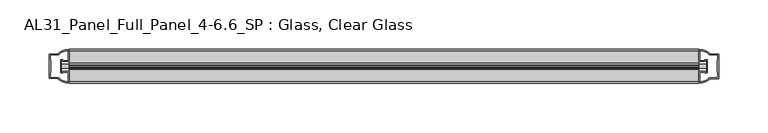
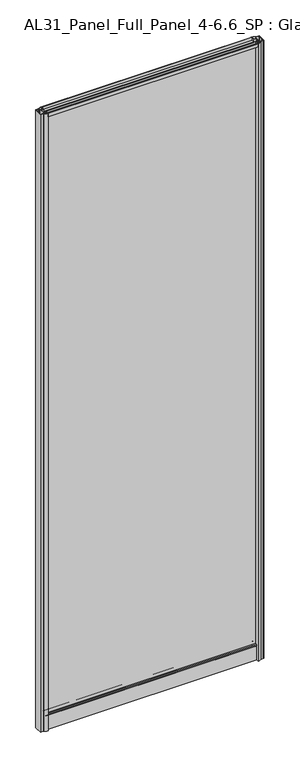
"""IFC4 building model written with IfcOpenShell, lengths in millimetres: plate geometry, AL31_Panel_Full_Panel_4-6.6_SP : Glass, Clear Glass."""

from ifc_helpers import new_model, si_unit, point, frame, frame_2d, origin, origin_with_axes, place, context, project, spatial, polyline, circle_curve, trimmed, segment, composite_curve, outline, extrude, source, transform, mapped, element, save


def al31_panel_full_panel_4_6_6_sp_glass_clear_glass_74e5b27c(model_context):
    return source(origin(), model_context, "Body", "SweptSolid", [
        extrude(outline(composite_curve([segment(polyline([(-1.4, 1968.8980762), (-0.85, 1967.9454483)]), True, "CONTINUOUS"), segment(trimmed(circle_curve(frame_2d((0.1, 1966.3)), 1.9), [point((-0.85, 1967.9454483))], [point((1.05, 1967.9454483))], True, "CARTESIAN"), True, "CONTINUOUS"), segment(polyline([(1.05, 1967.9454483), (1.6, 1968.8980762)]), True, "CONTINUOUS"), segment(trimmed(circle_curve(frame_2d((0.1, 1966.3)), 3.0), [point((1.6, 1968.8980762))], [point((2.5718414, 1964.6))], False, "CARTESIAN"), True, "CONTINUOUS"), segment(polyline([(2.5718414, 1964.6), (15.7, 1964.6), (15.7, 1974.0), (17.0, 1974.0), (17.0, 1963.5), (6.7024688, 1963.5), (6.7024688, 1962.7), (6.1968782, 1960.7785039), (6.1968782, 1956.1), (5.0, 1956.1), (5.0, 1961.4339746), (5.5, 1962.3), (5.5, 1963.5), (-5.5, 1963.5), (-5.5, 1962.3), (-5.0, 1961.4339746), (-5.0, 1956.1), (-6.1968782, 1956.1), (-6.1968782, 1960.7785039), (-6.7024688, 1962.7), (-6.7024688, 1963.5), (-17.0, 1963.5), (-17.0, 1974.0), (-15.7, 1974.0), (-15.7, 1964.6), (-2.3718414, 1964.6)]), True, "CONTINUOUS"), segment(trimmed(circle_curve(frame_2d((0.1, 1966.3)), 3.0), [point((-2.3718414, 1964.6))], [point((-1.4, 1968.8980762))], False, "CARTESIAN"), True, "CONTINUOUS")], self_intersect=False)), frame((-318.1801316, 0.0, 0.0), z_axis=(1.0, 0.0, 0.0), x_axis=(0.0, 1.0, 0.0)), (0.0, 0.0, 1.0), 636.3602632),
        extrude(outline(composite_curve([segment(polyline([(-326.021553, -5.9), (-324.821553, -5.9), (-324.821553, -5.0), (-318.1801316, -5.0), (-318.1801316, -17.0001453)]), True, "CONTINUOUS"), segment(trimmed(circle_curve(frame_2d((-317.81548, 2.9965302)), 20.0), [point((-318.1801316, -17.0001453))], [point((-329.5359668, -13.2093388))], False, "CARTESIAN"), True, "CONTINUOUS"), segment(polyline([(-329.5359668, -13.2093388), (-329.5359668, -12.3279343), (-338.1801316, -12.3279343), (-338.1801316, 12.3720657), (-329.5359668, 12.3720657), (-329.5359668, 13.2095249)]), True, "CONTINUOUS"), segment(trimmed(circle_curve(frame_2d((-317.81548, -2.9963441)), 20.0), [point((-329.5359668, 13.2095249))], [point((-318.1801316, 17.0003314))], False, "CARTESIAN"), True, "CONTINUOUS"), segment(polyline([(-318.1801316, 17.0003314), (-318.1801316, 5.0), (-324.821553, 5.0), (-324.821553, 5.9), (-326.021553, 5.9), (-326.021553, -5.9)]), True, "CONTINUOUS")], self_intersect=False), holes=[composite_curve([segment(trimmed(circle_curve(frame_2d((-325.021553, 5.7)), 1.5), [point((-325.021553, 7.2))], [point((-323.6662987, 6.3428731))], False, "CARTESIAN"), True, "CONTINUOUS"), segment(polyline([(-323.6662987, 6.3428731), (-319.921553, 6.3428731), (-319.921553, 10.939223), (-319.4822131, 11.9998832), (-319.4822131, 15.6499817)]), True, "CONTINUOUS"), segment(trimmed(circle_curve(frame_2d((-317.81548, -2.9755921)), 18.7), [point((-319.4822131, 15.6499817))], [point((-327.8222578, 12.8216987))], True, "CARTESIAN"), True, "CONTINUOUS"), segment(trimmed(circle_curve(frame_2d((-329.621553, 12.8720657)), 1.8), [point((-327.8222578, 12.8216987))], [point((-329.621553, 11.0720657))], False, "CARTESIAN"), True, "CONTINUOUS"), segment(polyline([(-329.621553, 11.0720657), (-336.7629743, 11.0720657), (-336.7629743, 6.5019606), (-336.321553, 5.439223), (-336.321553, -5.3950916), (-336.821553, -6.3879987), (-336.821553, -11.0279343), (-329.621553, -11.0279343)]), True, "CONTINUOUS"), segment(trimmed(circle_curve(frame_2d((-329.621553, -12.8279343)), 1.8), [point((-329.621553, -11.0279343))], [point((-327.8222578, -12.7775673))], False, "CARTESIAN"), True, "CONTINUOUS"), segment(trimmed(circle_curve(frame_2d((-317.81548, 3.0197235)), 18.7), [point((-327.8222578, -12.7775673))], [point((-319.4822131, -15.6058503))], True, "CARTESIAN"), True, "CONTINUOUS"), segment(polyline([(-319.4822131, -15.6058503), (-319.4822131, -11.9557518), (-319.921553, -10.8950916), (-319.921553, -6.2991308), (-323.6464012, -6.2991308)]), True, "CONTINUOUS"), segment(trimmed(circle_curve(frame_2d((-325.021553, -5.7)), 1.5), [point((-323.6464012, -6.2991308))], [point((-325.021553, -7.2))], False, "CARTESIAN"), True, "CONTINUOUS"), segment(polyline([(-325.021553, -7.2), (-327.321553, -7.2), (-327.321553, 7.2), (-325.021553, 7.2)]), True, "CONTINUOUS")], self_intersect=False)]), origin_with_axes(), (0.0, 0.0, 1.0), 1974.0),
        extrude(outline(composite_curve([segment(polyline([(326.021553, 5.9), (324.821553, 5.9), (324.821553, 5.0), (318.1801316, 5.0), (318.1801316, 17.0001453)]), True, "CONTINUOUS"), segment(trimmed(circle_curve(frame_2d((317.81548, -2.9965302)), 20.0), [point((318.1801316, 17.0001453))], [point((329.5359668, 13.2093388))], False, "CARTESIAN"), True, "CONTINUOUS"), segment(polyline([(329.5359668, 13.2093388), (329.5359668, 12.3279343), (338.1801316, 12.3279343), (338.1801316, -12.3720657), (329.5359668, -12.3720657), (329.5359668, -13.2095249)]), True, "CONTINUOUS"), segment(trimmed(circle_curve(frame_2d((317.81548, 2.9963441)), 20.0), [point((329.5359668, -13.2095249))], [point((318.1801316, -17.0003314))], False, "CARTESIAN"), True, "CONTINUOUS"), segment(polyline([(318.1801316, -17.0003314), (318.1801316, -5.0), (324.821553, -5.0), (324.821553, -5.9), (326.021553, -5.9), (326.021553, 5.9)]), True, "CONTINUOUS")], self_intersect=False), holes=[composite_curve([segment(trimmed(circle_curve(frame_2d((325.021553, -5.7)), 1.5), [point((325.021553, -7.2))], [point((323.6662987, -6.3428731))], False, "CARTESIAN"), True, "CONTINUOUS"), segment(polyline([(323.6662987, -6.3428731), (319.921553, -6.3428731), (319.921553, -10.939223), (319.4822131, -11.9998832), (319.4822131, -15.6499817)]), True, "CONTINUOUS"), segment(trimmed(circle_curve(frame_2d((317.81548, 2.9755921)), 18.7), [point((319.4822131, -15.6499817))], [point((327.8222578, -12.8216987))], True, "CARTESIAN"), True, "CONTINUOUS"), segment(trimmed(circle_curve(frame_2d((329.621553, -12.8720657)), 1.8), [point((327.8222578, -12.8216987))], [point((329.621553, -11.0720657))], False, "CARTESIAN"), True, "CONTINUOUS"), segment(polyline([(329.621553, -11.0720657), (336.7629743, -11.0720657), (336.7629743, -6.5019606), (336.321553, -5.439223), (336.321553, 5.3950916), (336.821553, 6.3879987), (336.821553, 11.0279343), (329.621553, 11.0279343)]), True, "CONTINUOUS"), segment(trimmed(circle_curve(frame_2d((329.621553, 12.8279343)), 1.8), [point((329.621553, 11.0279343))], [point((327.8222578, 12.7775673))], False, "CARTESIAN"), True, "CONTINUOUS"), segment(trimmed(circle_curve(frame_2d((317.81548, -3.0197235)), 18.7), [point((327.8222578, 12.7775673))], [point((319.4822131, 15.6058503))], True, "CARTESIAN"), True, "CONTINUOUS"), segment(polyline([(319.4822131, 15.6058503), (319.4822131, 11.9557518), (319.921553, 10.8950916), (319.921553, 6.2991308), (323.6464012, 6.2991308)]), True, "CONTINUOUS"), segment(trimmed(circle_curve(frame_2d((325.021553, 5.7)), 1.5), [point((323.6464012, 6.2991308))], [point((325.021553, 7.2))], False, "CARTESIAN"), True, "CONTINUOUS"), segment(polyline([(325.021553, 7.2), (327.321553, 7.2), (327.321553, -7.2), (325.021553, -7.2)]), True, "CONTINUOUS")], self_intersect=False)]), origin_with_axes(), (0.0, 0.0, 1.0), 1974.0),
        extrude(outline(composite_curve([segment(trimmed(circle_curve(frame_2d((-8.4, 34.8)), 1.0), [point((-8.4, 35.8))], [point((-9.4, 34.8))], True, "CARTESIAN"), True, "CONTINUOUS"), segment(polyline([(-9.4, 34.8), (-9.4, 33.5), (-5.0000303, 33.5), (-5.0000303, 32.3), (-9.4, 32.3), (-9.4, 0.0), (-10.6, 0.0), (-10.6, 47.3)]), True, "CONTINUOUS"), segment(trimmed(circle_curve(frame_2d((-8.6, 47.3)), 2.0), [point((-10.6, 47.3))], [point((-8.6, 49.3))], False, "CARTESIAN"), True, "CONTINUOUS"), segment(polyline([(-8.6, 49.3), (-5.0, 49.3), (-5.0, 41.9), (5.0, 41.9), (5.0, 49.3), (8.6, 49.3)]), True, "CONTINUOUS"), segment(trimmed(circle_curve(frame_2d((8.6, 47.3)), 2.0), [point((8.6, 49.3))], [point((10.6, 47.3))], False, "CARTESIAN"), True, "CONTINUOUS"), segment(polyline([(10.6, 47.3), (10.6, 0.0), (9.4, 0.0), (9.4, 32.3), (4.9999697, 32.3), (4.9999697, 33.5), (9.4, 33.5), (9.4, 34.8)]), True, "CONTINUOUS"), segment(trimmed(circle_curve(frame_2d((8.4, 34.8)), 1.0), [point((9.4, 34.8))], [point((8.4, 35.8))], True, "CARTESIAN"), True, "CONTINUOUS"), segment(polyline([(8.4, 35.8), (-8.4, 35.8)]), True, "CONTINUOUS")], self_intersect=False), holes=[composite_curve([segment(trimmed(circle_curve(frame_2d((5.5024688, 41.8)), 1.0), [point((6.5024688, 41.8))], [point((5.5024688, 40.8))], False, "CARTESIAN"), True, "CONTINUOUS"), segment(polyline([(5.5024688, 40.8), (2.8008965, 40.8), (2.8008965, 39.7274194), (1.8370508, 39.7274194)]), True, "CONTINUOUS"), segment(trimmed(circle_curve(frame_2d((0.0, 38.7)), 2.1048387), [point((1.8370508, 39.7274194))], [point((-1.8370508, 39.7274194))], True, "CARTESIAN"), True, "CONTINUOUS"), segment(polyline([(-1.8370508, 39.7274194), (-2.8008965, 39.7274194), (-2.8008965, 40.8), (-5.5024688, 40.8)]), True, "CONTINUOUS"), segment(trimmed(circle_curve(frame_2d((-5.5024688, 41.8)), 1.0), [point((-5.5024688, 40.8))], [point((-6.5024688, 41.8))], False, "CARTESIAN"), True, "CONTINUOUS"), segment(polyline([(-6.5024688, 41.8), (-6.5024688, 42.7)]), True, "CONTINUOUS"), segment(trimmed(circle_curve(frame_2d((-5.3024688, 42.7)), 1.2), [point((-6.5024688, 42.7))], [point((-6.1198184, 43.5786009))], False, "CARTESIAN"), True, "CONTINUOUS"), segment(polyline([(-6.1198184, 43.5786009), (-6.1198184, 48.2), (-8.4, 48.2)]), True, "CONTINUOUS"), segment(trimmed(circle_curve(frame_2d((-8.4, 47.2)), 1.0), [point((-8.4, 48.2))], [point((-9.4, 47.2))], True, "CARTESIAN"), True, "CONTINUOUS"), segment(polyline([(-9.4, 47.2), (-9.4, 37.04), (-2.8008965, 37.04), (-2.8008965, 38.0725806), (-1.8370508, 38.0725806)]), True, "CONTINUOUS"), segment(trimmed(circle_curve(frame_2d((0.0, 39.1)), 2.1048387), [point((-1.8370508, 38.0725806))], [point((1.8370508, 38.0725806))], True, "CARTESIAN"), True, "CONTINUOUS"), segment(polyline([(1.8370508, 38.0725806), (2.8008965, 38.0725806), (2.8008965, 37.04), (9.4, 37.04), (9.4, 47.2)]), True, "CONTINUOUS"), segment(trimmed(circle_curve(frame_2d((8.4, 47.2)), 1.0), [point((9.4, 47.2))], [point((8.4, 48.2))], True, "CARTESIAN"), True, "CONTINUOUS"), segment(polyline([(8.4, 48.2), (6.1198184, 48.2), (6.1198184, 43.7786009)]), True, "CONTINUOUS"), segment(trimmed(circle_curve(frame_2d((5.3024688, 42.9)), 1.2), [point((6.1198184, 43.7786009))], [point((6.5024688, 42.9))], False, "CARTESIAN"), True, "CONTINUOUS"), segment(polyline([(6.5024688, 42.9), (6.5024688, 41.8)]), True, "CONTINUOUS")], self_intersect=False)]), frame((-318.1801316, 0.0, 0.0), z_axis=(1.0, 0.0, 0.0), x_axis=(0.0, 1.0, 0.0)), (0.0, 0.0, 1.0), 636.3602632),
        extrude(outline(polyline([(326.021553, 2.0), (326.021553, -2.0), (-326.021553, -2.0), (-326.021553, 2.0), (326.021553, 2.0)])), frame((0.0, 0.0, 41.9), z_axis=(0.0, 0.0, 1.0), x_axis=(1.0, 0.0, 0.0)), (0.0, 0.0, 1.0), 1921.6),
    ])


if __name__ == "__main__":
    model = new_model("IFC4")
    model_context = context("Model", 3, world=origin())
    ifc_project = project(units=[si_unit("LENGTHUNIT", "METRE", prefix="MILLI")], contexts=[model_context])
    site = spatial("IfcSite", under=ifc_project)
    building = spatial("IfcBuilding", under=site)
    placement = place(None, origin())
    al31_panel_full_panel_4_6_6_sp_glass_clear_glass_shape = al31_panel_full_panel_4_6_6_sp_glass_clear_glass_74e5b27c(model_context)
    element("IfcPlate", 1, ObjectType="AL31_Panel_Full_Panel_4-6.6_SP : Glass, Clear Glass", at=placement, inside=building, context=model_context, shape_type="MappedRepresentation", body=[
        mapped(al31_panel_full_panel_4_6_6_sp_glass_clear_glass_shape, transform((0.0, 0.0, 0.0), x_axis=(1.0, 0.0, 0.0), y_axis=(0.0, 1.0, 0.0), z_axis=(0.0, 0.0, 1.0))),
    ])
    save(model, "model.ifc")
